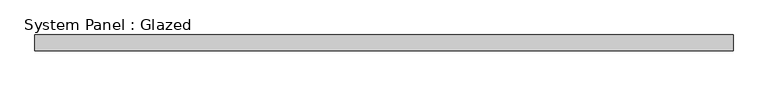
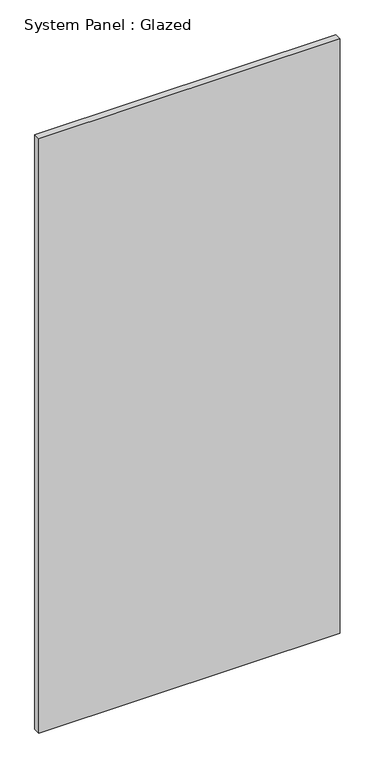
"""IFC4 building model written with IfcOpenShell, lengths in millimetres: plate geometry, System Panel : Glazed."""

from ifc_helpers import new_model, si_unit, origin, origin_with_axes, place, context, project, spatial, polyline, outline, extrude, source, transform, mapped, element, save


def system_panel_glazed_f840508f(model_context):
    return source(origin(), model_context, "Body", "SweptSolid", [
        extrude(outline(polyline([(561.975, -44.45), (-561.975, -44.45), (-561.975, -19.05), (561.975, -19.05), (561.975, -44.45)])), origin_with_axes(), (0.0, 0.0, 1.0), 2343.15),
    ])


if __name__ == "__main__":
    model = new_model("IFC4")
    model_context = context("Model", 3, world=origin())
    ifc_project = project(units=[si_unit("LENGTHUNIT", "METRE", prefix="MILLI")], contexts=[model_context])
    site = spatial("IfcSite", under=ifc_project)
    building = spatial("IfcBuilding", under=site)
    placement = place(None, origin())
    system_panel_glazed_shape = system_panel_glazed_f840508f(model_context)
    element("IfcPlate", 1, ObjectType="System Panel : Glazed", at=placement, inside=building, context=model_context, shape_type="MappedRepresentation", body=[
        mapped(system_panel_glazed_shape, transform((0.0, 0.0, 0.0), x_axis=(1.0, 0.0, 0.0), y_axis=(0.0, 1.0, 0.0), z_axis=(0.0, 0.0, 1.0))),
    ])
    save(model, "model.ifc")
